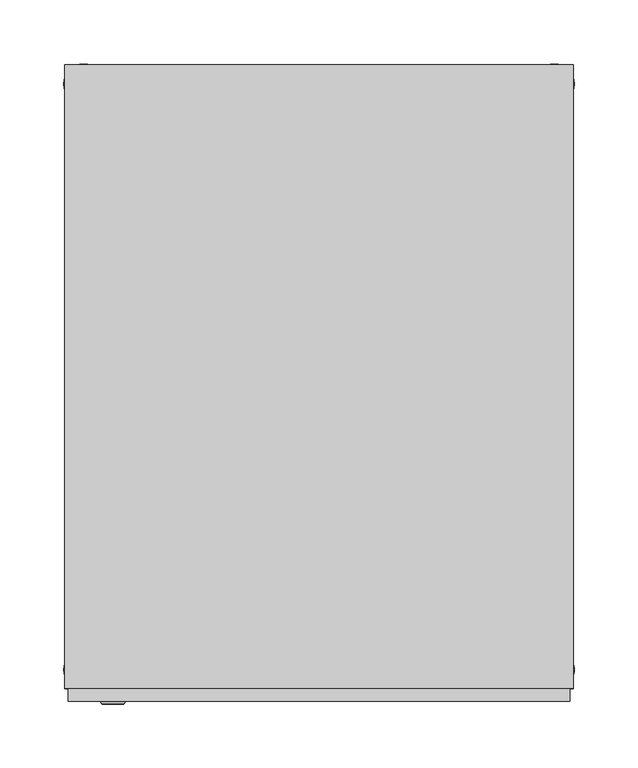
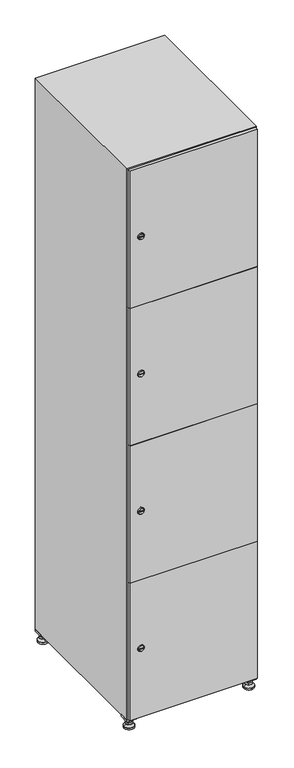
"""IFC4 building model written with IfcOpenShell, lengths in millimetres: furniture geometry."""

from ifc_helpers import new_model, si_unit, point, frame, frame_2d, origin, origin_with_axes, place, context, project, spatial, polyline, circle_curve, trimmed, segment, composite_curve, outline, extrude, faceted_brep, source, transform, mapped, element, save
from ifc_brep_helpers import plane_surface, revolved_surface, advanced_brep


def furniture_6601f98e(model_context):
    return source(origin(), model_context, "Body", "SolidModel", [
        extrude(outline(polyline([(200.0, 245.0), (200.0, 215.0), (170.0, 215.0), (170.0, 245.0), (200.0, 245.0)]), holes=[polyline([(198.0, 243.0), (172.0, 243.0), (172.0, 217.0), (198.0, 217.0), (198.0, 243.0)])]), frame((0.0, 0.0, 28.5), z_axis=(0.0, 0.0, 1.0), x_axis=(1.0, 0.0, 0.0)), (0.0, 0.0, 1.0), 6.5),
        extrude(outline(polyline([(170.0, -245.0), (170.0, -215.0), (200.0, -215.0), (200.0, -245.0), (170.0, -245.0)]), holes=[polyline([(172.0, -243.0), (198.0, -243.0), (198.0, -217.0), (172.0, -217.0), (172.0, -243.0)])]), frame((0.0, 0.0, 28.5), z_axis=(0.0, 0.0, 1.0), x_axis=(1.0, 0.0, 0.0)), (0.0, 0.0, 1.0), 6.5),
        extrude(outline(polyline([(-170.0, 245.0), (-170.0, 215.0), (-200.0, 215.0), (-200.0, 245.0), (-170.0, 245.0)]), holes=[polyline([(-172.0, 243.0), (-198.0, 243.0), (-198.0, 217.0), (-172.0, 217.0), (-172.0, 243.0)])]), frame((0.0, 0.0, 28.5), z_axis=(0.0, 0.0, 1.0), x_axis=(1.0, 0.0, 0.0)), (0.0, 0.0, 1.0), 6.5),
        extrude(outline(polyline([(-170.0, -215.0), (-170.0, -245.0), (-200.0, -245.0), (-200.0, -215.0), (-170.0, -215.0)]), holes=[polyline([(-198.0, -243.0), (-172.0, -243.0), (-172.0, -217.0), (-198.0, -217.0), (-198.0, -243.0)])]), frame((0.0, 0.0, 28.5), z_axis=(0.0, 0.0, 1.0), x_axis=(1.0, 0.0, 0.0)), (0.0, 0.0, 1.0), 6.5),
        extrude(outline(composite_curve([segment(trimmed(circle_curve(frame_2d((-185.0, 230.0)), 5.0), [point((-180.0, 230.0))], [point((-190.0, 230.0))], False, "CARTESIAN"), True, "CONTINUOUS"), segment(trimmed(circle_curve(frame_2d((-185.0, 230.0)), 5.0), [point((-190.0, 230.0))], [point((-180.0, 230.0))], False, "CARTESIAN"), True, "CONTINUOUS")], self_intersect=False)), frame((0.0, 0.0, 19.6), z_axis=(0.0, 0.0, 1.0), x_axis=(1.0, 0.0, 0.0)), (0.0, 0.0, 1.0), 15.4),
        extrude(outline(composite_curve([segment(trimmed(circle_curve(frame_2d((-185.0, -230.0)), 5.0), [point((-180.0, -230.0))], [point((-190.0, -230.0))], False, "CARTESIAN"), True, "CONTINUOUS"), segment(trimmed(circle_curve(frame_2d((-185.0, -230.0)), 5.0), [point((-190.0, -230.0))], [point((-180.0, -230.0))], False, "CARTESIAN"), True, "CONTINUOUS")], self_intersect=False)), frame((0.0, 0.0, 19.6), z_axis=(0.0, 0.0, 1.0), x_axis=(1.0, 0.0, 0.0)), (0.0, 0.0, 1.0), 15.4),
        extrude(outline(composite_curve([segment(trimmed(circle_curve(frame_2d((185.0, 230.0)), 5.0), [point((190.0, 230.0))], [point((180.0, 230.0))], False, "CARTESIAN"), True, "CONTINUOUS"), segment(trimmed(circle_curve(frame_2d((185.0, 230.0)), 5.0), [point((180.0, 230.0))], [point((190.0, 230.0))], False, "CARTESIAN"), True, "CONTINUOUS")], self_intersect=False)), frame((0.0, 0.0, 19.6), z_axis=(0.0, 0.0, 1.0), x_axis=(1.0, 0.0, 0.0)), (0.0, 0.0, 1.0), 15.4),
        extrude(outline(polyline([(173.4529946, 230.0), (179.2264973, 240.0), (190.7735027, 240.0), (196.5470054, 230.0), (190.7735027, 220.0), (179.2264973, 220.0), (173.4529946, 230.0)])), frame((0.0, 0.0, 13.6), z_axis=(0.0, 0.0, 1.0), x_axis=(1.0, 0.0, 0.0)), (0.0, 0.0, 1.0), 6.0),
        extrude(outline(composite_curve([segment(trimmed(circle_curve(frame_2d((185.0, -230.0)), 5.0), [point((190.0, -230.0))], [point((180.0, -230.0))], False, "CARTESIAN"), True, "CONTINUOUS"), segment(trimmed(circle_curve(frame_2d((185.0, -230.0)), 5.0), [point((180.0, -230.0))], [point((190.0, -230.0))], False, "CARTESIAN"), True, "CONTINUOUS")], self_intersect=False)), frame((0.0, 0.0, 19.6), z_axis=(0.0, 0.0, 1.0), x_axis=(1.0, 0.0, 0.0)), (0.0, 0.0, 1.0), 15.4),
        extrude(outline(polyline([(173.4529946, -230.0), (179.2264973, -220.0), (190.7735027, -220.0), (196.5470054, -230.0), (190.7735027, -240.0), (179.2264973, -240.0), (173.4529946, -230.0)])), frame((0.0, 0.0, 13.6), z_axis=(0.0, 0.0, 1.0), x_axis=(1.0, 0.0, 0.0)), (0.0, 0.0, 1.0), 6.0),
        extrude(outline(composite_curve([segment(trimmed(circle_curve(frame_2d((185.0, 230.0)), 5.0), [point((190.0, 230.0))], [point((180.0, 230.0))], False, "CARTESIAN"), True, "CONTINUOUS"), segment(trimmed(circle_curve(frame_2d((185.0, 230.0)), 5.0), [point((180.0, 230.0))], [point((190.0, 230.0))], False, "CARTESIAN"), True, "CONTINUOUS")], self_intersect=False)), frame((0.0, 0.0, 12.1), z_axis=(0.0, 0.0, 1.0), x_axis=(1.0, 0.0, 0.0)), (0.0, 0.0, 1.0), 1.5),
        extrude(outline(composite_curve([segment(trimmed(circle_curve(frame_2d((185.0, -230.0)), 5.0), [point((190.0, -230.0))], [point((180.0, -230.0))], False, "CARTESIAN"), True, "CONTINUOUS"), segment(trimmed(circle_curve(frame_2d((185.0, -230.0)), 5.0), [point((180.0, -230.0))], [point((190.0, -230.0))], False, "CARTESIAN"), True, "CONTINUOUS")], self_intersect=False)), frame((0.0, 0.0, 12.1), z_axis=(0.0, 0.0, 1.0), x_axis=(1.0, 0.0, 0.0)), (0.0, 0.0, 1.0), 1.5),
        extrude(outline(polyline([(-196.5470054, 230.0), (-190.7735027, 240.0), (-179.2264973, 240.0), (-173.4529946, 230.0), (-179.2264973, 220.0), (-190.7735027, 220.0), (-196.5470054, 230.0)])), frame((0.0, 0.0, 13.6), z_axis=(0.0, 0.0, 1.0), x_axis=(1.0, 0.0, 0.0)), (0.0, 0.0, 1.0), 6.0),
        extrude(outline(polyline([(-196.5470054, -230.0), (-190.7735027, -220.0), (-179.2264973, -220.0), (-173.4529946, -230.0), (-179.2264973, -240.0), (-190.7735027, -240.0), (-196.5470054, -230.0)])), frame((0.0, 0.0, 13.6), z_axis=(0.0, 0.0, 1.0), x_axis=(1.0, 0.0, 0.0)), (0.0, 0.0, 1.0), 6.0),
        extrude(outline(composite_curve([segment(trimmed(circle_curve(frame_2d((-185.0, 230.0)), 5.0), [point((-185.0, 235.0))], [point((-185.0, 225.0))], False, "CARTESIAN"), True, "CONTINUOUS"), segment(trimmed(circle_curve(frame_2d((-185.0, 230.0)), 5.0), [point((-185.0, 225.0))], [point((-185.0, 235.0))], False, "CARTESIAN"), True, "CONTINUOUS")], self_intersect=False)), frame((0.0, 0.0, 12.1), z_axis=(0.0, 0.0, 1.0), x_axis=(1.0, 0.0, 0.0)), (0.0, 0.0, 1.0), 1.5),
        extrude(outline(composite_curve([segment(trimmed(circle_curve(frame_2d((-185.0, -230.0)), 5.0), [point((-180.0, -230.0))], [point((-190.0, -230.0))], False, "CARTESIAN"), True, "CONTINUOUS"), segment(trimmed(circle_curve(frame_2d((-185.0, -230.0)), 5.0), [point((-190.0, -230.0))], [point((-180.0, -230.0))], False, "CARTESIAN"), True, "CONTINUOUS")], self_intersect=False)), frame((0.0, 0.0, 12.1), z_axis=(0.0, 0.0, 1.0), x_axis=(1.0, 0.0, 0.0)), (0.0, 0.0, 1.0), 1.5),
        extrude(outline(composite_curve([segment(trimmed(circle_curve(frame_2d((185.0, 230.0)), 15.75), [point((200.75, 230.0))], [point((169.25, 230.0))], False, "CARTESIAN"), True, "CONTINUOUS"), segment(trimmed(circle_curve(frame_2d((185.0, 230.0)), 15.75), [point((169.25, 230.0))], [point((200.75, 230.0))], False, "CARTESIAN"), True, "CONTINUOUS")], self_intersect=False)), origin_with_axes(), (0.0, 0.0, 1.0), 5.1),
        extrude(outline(composite_curve([segment(trimmed(circle_curve(frame_2d((185.0, -230.0)), 15.75), [point((185.0, -214.25))], [point((185.0, -245.75))], False, "CARTESIAN"), True, "CONTINUOUS"), segment(trimmed(circle_curve(frame_2d((185.0, -230.0)), 15.75), [point((185.0, -245.75))], [point((185.0, -214.25))], False, "CARTESIAN"), True, "CONTINUOUS")], self_intersect=False)), origin_with_axes(), (0.0, 0.0, 1.0), 5.1),
        extrude(outline(composite_curve([segment(trimmed(circle_curve(frame_2d((-185.0, -230.0)), 15.75), [point((-169.25, -230.0))], [point((-200.75, -230.0))], False, "CARTESIAN"), True, "CONTINUOUS"), segment(trimmed(circle_curve(frame_2d((-185.0, -230.0)), 15.75), [point((-200.75, -230.0))], [point((-169.25, -230.0))], False, "CARTESIAN"), True, "CONTINUOUS")], self_intersect=False)), origin_with_axes(), (0.0, 0.0, 1.0), 5.1),
        extrude(outline(composite_curve([segment(trimmed(circle_curve(frame_2d((-185.0, 230.0)), 15.75), [point((-169.25, 230.0))], [point((-200.75, 230.0))], False, "CARTESIAN"), True, "CONTINUOUS"), segment(trimmed(circle_curve(frame_2d((-185.0, 230.0)), 15.75), [point((-200.75, 230.0))], [point((-169.25, 230.0))], False, "CARTESIAN"), True, "CONTINUOUS")], self_intersect=False)), origin_with_axes(), (0.0, 0.0, 1.0), 5.1),
        advanced_brep(
        [(-185.0, 239.5, 12.1), (-185.0, 220.5, 12.1), (-185.0, 214.25, 5.1), (-185.0, 245.75, 5.1)],
        [
            (0, 1, circle_curve(frame((-185.0, 230.0, 12.1), z_axis=(0.0, 0.0, -1.0), x_axis=(0.0, 1.0, 0.0)), 9.5)),
            (1, 2),
            (2, 3, circle_curve(frame((-185.0, 230.0, 5.1), z_axis=(0.0, 0.0, 1.0), x_axis=(0.0, 1.0, 0.0)), 15.75)),
            (3, 0),
            (1, 0, circle_curve(frame((-185.0, 230.0, 12.1), z_axis=(0.0, 0.0, -1.0), x_axis=(0.0, -1.0, 0.0)), 9.5)),
            (3, 2, circle_curve(frame((-185.0, 230.0, 5.1), z_axis=(0.0, 0.0, 1.0), x_axis=(0.0, -1.0, 0.0)), 15.75)),
        ],
        [
            revolved_surface(polyline([(-185.0, 220.5, 12.099999999999998), (-185.0, 214.25, 5.099999999999998)]), (-185.0, 230.0, 22.74), (0.0, 0.0, -1.0)),
            revolved_surface(polyline([(-185.0, 239.5, 12.099999999999998), (-185.0, 245.75, 5.099999999999998)]), (-185.0, 230.0, 22.74), (0.0, 0.0, -1.0)),
            plane_surface(frame((-185.0, 230.0, 5.1), z_axis=(0.0, 0.0, -1.0), x_axis=(1.0, 0.0, 0.0))),
            plane_surface(frame((-185.0, 230.0, 12.1), z_axis=(0.0, 0.0, 1.0), x_axis=(1.0, 0.0, 0.0))),
        ],
        [
            (0, [[1, 2, 3, 4]]),
            (1, [[5, -4, 6, -2]]),
            (2, [[-3, -6]]),
            (3, [[-5, -1]]),
        ],
    ),
        advanced_brep(
        [(185.0, 239.5, 12.1), (185.0, 220.5, 12.1), (185.0, 214.25, 5.1), (185.0, 245.75, 5.1)],
        [
            (0, 1, circle_curve(frame((185.0, 230.0, 12.1), z_axis=(0.0, 0.0, -1.0), x_axis=(0.0, 1.0, 0.0)), 9.5)),
            (1, 2),
            (2, 3, circle_curve(frame((185.0, 230.0, 5.1), z_axis=(0.0, 0.0, 1.0), x_axis=(0.0, 1.0, 0.0)), 15.75)),
            (3, 0),
            (1, 0, circle_curve(frame((185.0, 230.0, 12.1), z_axis=(0.0, 0.0, -1.0), x_axis=(0.0, -1.0, 0.0)), 9.5)),
            (3, 2, circle_curve(frame((185.0, 230.0, 5.1), z_axis=(0.0, 0.0, 1.0), x_axis=(0.0, -1.0, 0.0)), 15.75)),
        ],
        [
            revolved_surface(polyline([(185.0, 220.5, 12.099999999999998), (185.0, 214.25, 5.099999999999998)]), (185.0, 230.0, 22.74), (0.0, 0.0, -1.0)),
            revolved_surface(polyline([(185.0, 239.5, 12.099999999999998), (185.0, 245.75, 5.099999999999998)]), (185.0, 230.0, 22.74), (0.0, 0.0, -1.0)),
            plane_surface(frame((185.0, 230.0, 5.1), z_axis=(0.0, 0.0, -1.0), x_axis=(1.0, 0.0, 0.0))),
            plane_surface(frame((185.0, 230.0, 12.1), z_axis=(0.0, 0.0, 1.0), x_axis=(1.0, 0.0, 0.0))),
        ],
        [
            (0, [[1, 2, 3, 4]]),
            (1, [[5, -4, 6, -2]]),
            (2, [[-3, -6]]),
            (3, [[-5, -1]]),
        ],
    ),
        advanced_brep(
        [(200.75, -230.0, 5.1), (169.25, -230.0, 5.1), (175.5, -230.0, 12.1), (194.5, -230.0, 12.1)],
        [
            (0, 1, circle_curve(frame((185.0, -230.0, 5.1), z_axis=(0.0, 0.0, 1.0), x_axis=(1.0, 0.0, 0.0)), 15.75)),
            (1, 2),
            (2, 3, circle_curve(frame((185.0, -230.0, 12.1), z_axis=(0.0, 0.0, -1.0), x_axis=(1.0, 0.0, 0.0)), 9.5)),
            (3, 0),
            (1, 0, circle_curve(frame((185.0, -230.0, 5.1), z_axis=(0.0, 0.0, 1.0), x_axis=(-1.0, 0.0, 0.0)), 15.75)),
            (3, 2, circle_curve(frame((185.0, -230.0, 12.1), z_axis=(0.0, 0.0, -1.0), x_axis=(-1.0, 0.0, 0.0)), 9.5)),
        ],
        [
            revolved_surface(polyline([(194.5, -230.0, 12.099999999999998), (200.75, -230.0, 5.099999999999998)]), (185.0, -230.0, 22.74), (0.0, 0.0, -1.0)),
            revolved_surface(polyline([(175.5, -230.0, 12.099999999999998), (169.25, -230.0, 5.099999999999998)]), (185.0, -230.0, 22.74), (0.0, 0.0, -1.0)),
            plane_surface(frame((185.0, -230.0, 12.1), z_axis=(0.0, 0.0, 1.0), x_axis=(0.0, 1.0, 0.0))),
            plane_surface(frame((185.0, -230.0, 5.1), z_axis=(0.0, 0.0, -1.0), x_axis=(0.0, 1.0, 0.0))),
        ],
        [
            (0, [[1, 2, 3, 4]]),
            (1, [[5, -4, 6, -2]]),
            (2, [[-3, -6]]),
            (3, [[-5, -1]]),
        ],
    ),
        advanced_brep(
        [(-169.25, -230.0, 5.1), (-200.75, -230.0, 5.1), (-194.5, -230.0, 12.1), (-175.5, -230.0, 12.1)],
        [
            (0, 1, circle_curve(frame((-185.0, -230.0, 5.1), z_axis=(0.0, 0.0, 1.0), x_axis=(1.0, 0.0, 0.0)), 15.75)),
            (1, 2),
            (2, 3, circle_curve(frame((-185.0, -230.0, 12.1), z_axis=(0.0, 0.0, -1.0), x_axis=(1.0, 0.0, 0.0)), 9.5)),
            (3, 0),
            (1, 0, circle_curve(frame((-185.0, -230.0, 5.1), z_axis=(0.0, 0.0, 1.0), x_axis=(-1.0, 0.0, 0.0)), 15.75)),
            (3, 2, circle_curve(frame((-185.0, -230.0, 12.1), z_axis=(0.0, 0.0, -1.0), x_axis=(-1.0, 0.0, 0.0)), 9.5)),
        ],
        [
            revolved_surface(polyline([(-175.5, -230.0, 12.099999999999998), (-169.25, -230.0, 5.099999999999998)]), (-185.0, -230.0, 22.74), (0.0, 0.0, -1.0)),
            revolved_surface(polyline([(-194.5, -230.0, 12.099999999999998), (-200.75, -230.0, 5.099999999999998)]), (-185.0, -230.0, 22.74), (0.0, 0.0, -1.0)),
            plane_surface(frame((-185.0, -230.0, 12.1), z_axis=(0.0, 0.0, 1.0), x_axis=(0.0, 1.0, 0.0))),
            plane_surface(frame((-185.0, -230.0, 5.1), z_axis=(0.0, 0.0, -1.0), x_axis=(0.0, 1.0, 0.0))),
        ],
        [
            (0, [[1, 2, 3, 4]]),
            (1, [[5, -4, 6, -2]]),
            (2, [[-3, -6]]),
            (3, [[-5, -1]]),
        ],
    ),
        extrude(outline(composite_curve([segment(trimmed(circle_curve(frame_2d((262.25, -188.7989466)), 7.0), [point((269.25, -188.7989466))], [point((255.25, -188.7989466))], False, "CARTESIAN"), True, "CONTINUOUS"), segment(polyline([(255.25, -188.7989466), (255.25, -160.7989466)]), True, "CONTINUOUS"), segment(trimmed(circle_curve(frame_2d((262.25, -160.7989466)), 7.0), [point((255.25, -160.7989466))], [point((269.25, -160.7989466))], False, "CARTESIAN"), True, "CONTINUOUS"), segment(polyline([(269.25, -160.7989466), (269.25, -188.7989466)]), True, "CONTINUOUS")], self_intersect=False)), frame((0.0, -245.0, 0.0), z_axis=(0.0, 1.0, 0.0), x_axis=(0.0, 0.0, 1.0)), (0.0, 0.0, 1.0), 2.0),
        advanced_brep(
        [(-153.5, -257.2, 262.25), (-170.5, -257.2, 262.25), (-167.0, -257.2, 261.0), (-167.0, -257.2, 263.5), (-157.0, -257.2, 263.5), (-157.0, -257.2, 261.0), (-151.5, -255.0, 262.25), (-172.5, -255.0, 262.25), (-167.0, -255.0, 263.5), (-167.0, -255.0, 261.0), (-157.0, -255.0, 261.0), (-157.0, -255.0, 263.5)],
        [
            (0, 1, circle_curve(frame((-162.0, -257.2, 262.25), z_axis=(0.0, -1.0, 0.0), x_axis=(1.0, 0.0, 0.0)), 8.5)),
            (1, 0, circle_curve(frame((-162.0, -257.2, 262.25), z_axis=(0.0, -1.0, 0.0), x_axis=(-1.0, 0.0, 0.0)), 8.5)),
            (2, 3),
            (3, 4),
            (4, 5),
            (5, 2),
            (6, 7, circle_curve(frame((-162.0, -255.0, 262.25), z_axis=(0.0, 1.0, 0.0), x_axis=(-1.0, 0.0, 0.0)), 10.5)),
            (7, 6, circle_curve(frame((-162.0, -255.0, 262.25), z_axis=(0.0, 1.0, 0.0), x_axis=(1.0, 0.0, 0.0)), 10.5)),
            (8, 9),
            (9, 10),
            (10, 11),
            (11, 8),
            (0, 6),
            (7, 1),
            (8, 3),
            (2, 9),
            (11, 4),
            (10, 5),
        ],
        [
            plane_surface(frame((-162.0, -257.2, 262.25), z_axis=(0.0, -1.0, 0.0), x_axis=(0.0, 0.0, 1.0))),
            plane_surface(frame((-162.0, -255.0, 262.25), z_axis=(0.0, 1.0, 0.0), x_axis=(0.0, 0.0, 1.0))),
            revolved_surface(polyline([(-153.5, -257.2, 262.25), (-151.5, -255.0, 262.25)]), (-162.0, -266.55, 262.25), (0.0, 1.0, 0.0)),
            revolved_surface(polyline([(-170.5, -257.2, 262.25), (-172.5, -255.0, 262.25)]), (-162.0, -266.55, 262.25), (0.0, 1.0, 0.0)),
            plane_surface(frame((-167.0, -255.0, 261.0), z_axis=(1.0, 0.0, 0.0), x_axis=(0.0, -1.0, 0.0))),
            plane_surface(frame((-167.0, -255.0, 263.5), z_axis=(0.0, 0.0, -1.0), x_axis=(0.0, -1.0, 0.0))),
            plane_surface(frame((-157.0, -255.0, 263.5), z_axis=(-1.0, 0.0, 0.0), x_axis=(0.0, -1.0, 0.0))),
            plane_surface(frame((-157.0, -255.0, 261.0), z_axis=(0.0, 0.0, 1.0), x_axis=(0.0, -1.0, 0.0))),
        ],
        [
            (0, [[1, 2], [3, 4, 5, 6]]),
            (1, [[7, 8], [9, 10, 11, 12]]),
            (2, [[-1, 13, -8, 14]]),
            (3, [[-2, -14, -7, -13]]),
            (4, [[15, -3, 16, -9]]),
            (5, [[-15, -12, 17, -4]]),
            (6, [[-17, -11, 18, -5]]),
            (7, [[-16, -6, -18, -10]]),
        ],
    ),
        extrude(outline(composite_curve([segment(trimmed(circle_curve(frame_2d((710.75, -188.7989466)), 7.0), [point((717.75, -188.7989466))], [point((703.75, -188.7989466))], False, "CARTESIAN"), True, "CONTINUOUS"), segment(polyline([(703.75, -188.7989466), (703.75, -160.7989466)]), True, "CONTINUOUS"), segment(trimmed(circle_curve(frame_2d((710.75, -160.7989466)), 7.0), [point((703.75, -160.7989466))], [point((717.75, -160.7989466))], False, "CARTESIAN"), True, "CONTINUOUS"), segment(polyline([(717.75, -160.7989466), (717.75, -188.7989466)]), True, "CONTINUOUS")], self_intersect=False)), frame((0.0, -245.0, 0.0), z_axis=(0.0, 1.0, 0.0), x_axis=(0.0, 0.0, 1.0)), (0.0, 0.0, 1.0), 2.0),
        advanced_brep(
        [(-153.5, -257.2, 710.75), (-170.5, -257.2, 710.75), (-167.0, -257.2, 709.5), (-167.0, -257.2, 712.0), (-157.0, -257.2, 712.0), (-157.0, -257.2, 709.5), (-151.5, -255.0, 710.75), (-172.5, -255.0, 710.75), (-167.0, -255.0, 712.0), (-167.0, -255.0, 709.5), (-157.0, -255.0, 709.5), (-157.0, -255.0, 712.0)],
        [
            (0, 1, circle_curve(frame((-162.0, -257.2, 710.75), z_axis=(0.0, -1.0, 0.0), x_axis=(1.0, 0.0, 0.0)), 8.5)),
            (1, 0, circle_curve(frame((-162.0, -257.2, 710.75), z_axis=(0.0, -1.0, 0.0), x_axis=(-1.0, 0.0, 0.0)), 8.5)),
            (2, 3),
            (3, 4),
            (4, 5),
            (5, 2),
            (6, 7, circle_curve(frame((-162.0, -255.0, 710.75), z_axis=(0.0, 1.0, 0.0), x_axis=(-1.0, 0.0, 0.0)), 10.5)),
            (7, 6, circle_curve(frame((-162.0, -255.0, 710.75), z_axis=(0.0, 1.0, 0.0), x_axis=(1.0, 0.0, 0.0)), 10.5)),
            (8, 9),
            (9, 10),
            (10, 11),
            (11, 8),
            (0, 6),
            (7, 1),
            (8, 3),
            (2, 9),
            (11, 4),
            (10, 5),
        ],
        [
            plane_surface(frame((-162.0, -257.2, 710.75), z_axis=(0.0, -1.0, 0.0), x_axis=(0.0, 0.0, 1.0))),
            plane_surface(frame((-162.0, -255.0, 710.75), z_axis=(0.0, 1.0, 0.0), x_axis=(0.0, 0.0, 1.0))),
            revolved_surface(polyline([(-153.5, -257.2, 710.75), (-151.5, -255.0, 710.75)]), (-162.0, -266.55, 710.75), (0.0, 1.0, 0.0)),
            revolved_surface(polyline([(-170.5, -257.2, 710.75), (-172.5, -255.0, 710.75)]), (-162.0, -266.55, 710.75), (0.0, 1.0, 0.0)),
            plane_surface(frame((-167.0, -255.0, 709.5), z_axis=(1.0, 0.0, 0.0), x_axis=(0.0, -1.0, 0.0))),
            plane_surface(frame((-167.0, -255.0, 712.0), z_axis=(0.0, 0.0, -1.0), x_axis=(0.0, -1.0, 0.0))),
            plane_surface(frame((-157.0, -255.0, 712.0), z_axis=(-1.0, 0.0, 0.0), x_axis=(0.0, -1.0, 0.0))),
            plane_surface(frame((-157.0, -255.0, 709.5), z_axis=(0.0, 0.0, 1.0), x_axis=(0.0, -1.0, 0.0))),
        ],
        [
            (0, [[1, 2], [3, 4, 5, 6]]),
            (1, [[7, 8], [9, 10, 11, 12]]),
            (2, [[-1, 13, -8, 14]]),
            (3, [[-2, -14, -7, -13]]),
            (4, [[15, -3, 16, -9]]),
            (5, [[-15, -12, 17, -4]]),
            (6, [[-17, -11, 18, -5]]),
            (7, [[-16, -6, -18, -10]]),
        ],
    ),
        extrude(outline(composite_curve([segment(trimmed(circle_curve(frame_2d((1159.25, -188.7989466)), 7.0), [point((1166.25, -188.7989466))], [point((1152.25, -188.7989466))], False, "CARTESIAN"), True, "CONTINUOUS"), segment(polyline([(1152.25, -188.7989466), (1152.25, -160.7989466)]), True, "CONTINUOUS"), segment(trimmed(circle_curve(frame_2d((1159.25, -160.7989466)), 7.0), [point((1152.25, -160.7989466))], [point((1166.25, -160.7989466))], False, "CARTESIAN"), True, "CONTINUOUS"), segment(polyline([(1166.25, -160.7989466), (1166.25, -188.7989466)]), True, "CONTINUOUS")], self_intersect=False)), frame((0.0, -245.0, 0.0), z_axis=(0.0, 1.0, 0.0), x_axis=(0.0, 0.0, 1.0)), (0.0, 0.0, 1.0), 2.0),
        advanced_brep(
        [(-153.5, -257.2, 1159.25), (-170.5, -257.2, 1159.25), (-167.0, -257.2, 1158.0), (-167.0, -257.2, 1160.5), (-157.0, -257.2, 1160.5), (-157.0, -257.2, 1158.0), (-151.5, -255.0, 1159.25), (-172.5, -255.0, 1159.25), (-167.0, -255.0, 1160.5), (-167.0, -255.0, 1158.0), (-157.0, -255.0, 1158.0), (-157.0, -255.0, 1160.5)],
        [
            (0, 1, circle_curve(frame((-162.0, -257.2, 1159.25), z_axis=(0.0, -1.0, 0.0), x_axis=(1.0, 0.0, 0.0)), 8.5)),
            (1, 0, circle_curve(frame((-162.0, -257.2, 1159.25), z_axis=(0.0, -1.0, 0.0), x_axis=(-1.0, 0.0, 0.0)), 8.5)),
            (2, 3),
            (3, 4),
            (4, 5),
            (5, 2),
            (6, 7, circle_curve(frame((-162.0, -255.0, 1159.25), z_axis=(0.0, 1.0, 0.0), x_axis=(-1.0, 0.0, 0.0)), 10.5)),
            (7, 6, circle_curve(frame((-162.0, -255.0, 1159.25), z_axis=(0.0, 1.0, 0.0), x_axis=(1.0, 0.0, 0.0)), 10.5)),
            (8, 9),
            (9, 10),
            (10, 11),
            (11, 8),
            (0, 6),
            (7, 1),
            (8, 3),
            (2, 9),
            (11, 4),
            (10, 5),
        ],
        [
            plane_surface(frame((-162.0, -257.2, 1159.25), z_axis=(0.0, -1.0, 0.0), x_axis=(0.0, 0.0, 1.0))),
            plane_surface(frame((-162.0, -255.0, 1159.25), z_axis=(0.0, 1.0, 0.0), x_axis=(0.0, 0.0, 1.0))),
            revolved_surface(polyline([(-153.5, -257.2, 1159.25), (-151.5, -255.0, 1159.25)]), (-162.0, -266.55, 1159.25), (0.0, 1.0, 0.0)),
            revolved_surface(polyline([(-170.5, -257.2, 1159.25), (-172.5, -255.0, 1159.25)]), (-162.0, -266.55, 1159.25), (0.0, 1.0, 0.0)),
            plane_surface(frame((-167.0, -255.0, 1158.0), z_axis=(1.0, 0.0, 0.0), x_axis=(0.0, -1.0, 0.0))),
            plane_surface(frame((-167.0, -255.0, 1160.5), z_axis=(0.0, 0.0, -1.0), x_axis=(0.0, -1.0, 0.0))),
            plane_surface(frame((-157.0, -255.0, 1160.5), z_axis=(-1.0, 0.0, 0.0), x_axis=(0.0, -1.0, 0.0))),
            plane_surface(frame((-157.0, -255.0, 1158.0), z_axis=(0.0, 0.0, 1.0), x_axis=(0.0, -1.0, 0.0))),
        ],
        [
            (0, [[1, 2], [3, 4, 5, 6]]),
            (1, [[7, 8], [9, 10, 11, 12]]),
            (2, [[-1, 13, -8, 14]]),
            (3, [[-2, -14, -7, -13]]),
            (4, [[15, -3, 16, -9]]),
            (5, [[-15, -12, 17, -4]]),
            (6, [[-17, -11, 18, -5]]),
            (7, [[-16, -6, -18, -10]]),
        ],
    ),
        extrude(outline(composite_curve([segment(trimmed(circle_curve(frame_2d((1607.75, -188.7989466)), 7.0), [point((1614.75, -188.7989466))], [point((1600.75, -188.7989466))], False, "CARTESIAN"), True, "CONTINUOUS"), segment(polyline([(1600.75, -188.7989466), (1600.75, -160.7989466)]), True, "CONTINUOUS"), segment(trimmed(circle_curve(frame_2d((1607.75, -160.7989466)), 7.0), [point((1600.75, -160.7989466))], [point((1614.75, -160.7989466))], False, "CARTESIAN"), True, "CONTINUOUS"), segment(polyline([(1614.75, -160.7989466), (1614.75, -188.7989466)]), True, "CONTINUOUS")], self_intersect=False)), frame((0.0, -245.0, 0.0), z_axis=(0.0, 1.0, 0.0), x_axis=(0.0, 0.0, 1.0)), (0.0, 0.0, 1.0), 2.0),
        advanced_brep(
        [(-153.5, -257.2, 1607.75), (-170.5, -257.2, 1607.75), (-167.0, -257.2, 1606.5), (-167.0, -257.2, 1609.0), (-157.0, -257.2, 1609.0), (-157.0, -257.2, 1606.5), (-151.5, -255.0, 1607.75), (-172.5, -255.0, 1607.75), (-167.0, -255.0, 1609.0), (-167.0, -255.0, 1606.5), (-157.0, -255.0, 1606.5), (-157.0, -255.0, 1609.0)],
        [
            (0, 1, circle_curve(frame((-162.0, -257.2, 1607.75), z_axis=(0.0, -1.0, 0.0), x_axis=(1.0, 0.0, 0.0)), 8.5)),
            (1, 0, circle_curve(frame((-162.0, -257.2, 1607.75), z_axis=(0.0, -1.0, 0.0), x_axis=(-1.0, 0.0, 0.0)), 8.5)),
            (2, 3),
            (3, 4),
            (4, 5),
            (5, 2),
            (6, 7, circle_curve(frame((-162.0, -255.0, 1607.75), z_axis=(0.0, 1.0, 0.0), x_axis=(-1.0, 0.0, 0.0)), 10.5)),
            (7, 6, circle_curve(frame((-162.0, -255.0, 1607.75), z_axis=(0.0, 1.0, 0.0), x_axis=(1.0, 0.0, 0.0)), 10.5)),
            (8, 9),
            (9, 10),
            (10, 11),
            (11, 8),
            (0, 6),
            (7, 1),
            (8, 3),
            (2, 9),
            (11, 4),
            (10, 5),
        ],
        [
            plane_surface(frame((-162.0, -257.2, 1607.75), z_axis=(0.0, -1.0, 0.0), x_axis=(0.0, 0.0, 1.0))),
            plane_surface(frame((-162.0, -255.0, 1607.75), z_axis=(0.0, 1.0, 0.0), x_axis=(0.0, 0.0, 1.0))),
            revolved_surface(polyline([(-153.5, -257.2, 1607.75), (-151.5, -255.0, 1607.75)]), (-162.0, -266.55, 1607.75), (0.0, 1.0, 0.0)),
            revolved_surface(polyline([(-170.5, -257.2, 1607.75), (-172.5, -255.0, 1607.75)]), (-162.0, -266.55, 1607.75), (0.0, 1.0, 0.0)),
            plane_surface(frame((-167.0, -255.0, 1606.5), z_axis=(1.0, 0.0, 0.0), x_axis=(0.0, -1.0, 0.0))),
            plane_surface(frame((-167.0, -255.0, 1609.0), z_axis=(0.0, 0.0, -1.0), x_axis=(0.0, -1.0, 0.0))),
            plane_surface(frame((-157.0, -255.0, 1609.0), z_axis=(-1.0, 0.0, 0.0), x_axis=(0.0, -1.0, 0.0))),
            plane_surface(frame((-157.0, -255.0, 1606.5), z_axis=(0.0, 0.0, 1.0), x_axis=(0.0, -1.0, 0.0))),
        ],
        [
            (0, [[1, 2], [3, 4, 5, 6]]),
            (1, [[7, 8], [9, 10, 11, 12]]),
            (2, [[-1, 13, -8, 14]]),
            (3, [[-2, -14, -7, -13]]),
            (4, [[15, -3, 16, -9]]),
            (5, [[-15, -12, 17, -4]]),
            (6, [[-17, -11, 18, -5]]),
            (7, [[-16, -6, -18, -10]]),
        ],
    ),
        extrude(outline(polyline([(197.0, -245.0), (197.0, -255.0), (-197.0, -255.0), (-197.0, -245.0), (197.0, -245.0)])), frame((0.0, 0.0, 486.0), z_axis=(0.0, 0.0, 1.0), x_axis=(1.0, 0.0, 0.0)), (0.0, 0.0, 1.0), 448.5),
        extrude(outline(polyline([(197.0, -245.0), (197.0, -255.0), (-197.0, -255.0), (-197.0, -245.0), (197.0, -245.0)])), frame((0.0, 0.0, 935.5), z_axis=(0.0, 0.0, 1.0), x_axis=(1.0, 0.0, 0.0)), (0.0, 0.0, 1.0), 447.5),
        extrude(outline(polyline([(-197.0, -255.0), (-197.0, -245.0), (197.0, -245.0), (197.0, -255.0), (-197.0, -255.0)])), frame((0.0, 0.0, 1384.0), z_axis=(0.0, 0.0, 1.0), x_axis=(1.0, 0.0, 0.0)), (0.0, 0.0, 1.0), 448.0),
        extrude(outline(polyline([(197.0, -245.0), (197.0, -255.0), (-197.0, -255.0), (-197.0, -245.0), (197.0, -245.0)])), frame((0.0, 0.0, 38.0), z_axis=(0.0, 0.0, 1.0), x_axis=(1.0, 0.0, 0.0)), (0.0, 0.0, 1.0), 449.0),
        extrude(outline(polyline([(179.6, 242.0), (179.6, -235.0), (-179.6, -235.0), (-179.6, 242.0), (179.6, 242.0)])), frame((0.0, 0.0, 1359.7), z_axis=(0.0, 0.0, 1.0), x_axis=(1.0, 0.0, 0.0)), (0.0, 0.0, 1.0), 20.4),
        extrude(outline(polyline([(179.6, 242.0), (179.6, -235.0), (-179.6, -235.0), (-179.6, 242.0), (179.6, 242.0)])), frame((0.0, 0.0, 924.8), z_axis=(0.0, 0.0, 1.0), x_axis=(1.0, 0.0, 0.0)), (0.0, 0.0, 1.0), 20.4),
        extrude(outline(polyline([(179.6, 242.0), (179.6, -235.0), (-179.6, -235.0), (-179.6, 242.0), (179.6, 242.0)])), frame((0.0, 0.0, 489.9), z_axis=(0.0, 0.0, 1.0), x_axis=(1.0, 0.0, 0.0)), (0.0, 0.0, 1.0), 20.4),
        faceted_brep([(200.0, -245.0, 35.0), (200.0, -245.0, 1835.0), (-200.0, -245.0, 1835.0), (-200.0, -245.0, 35.0), (179.6, -245.0, 1804.8), (179.6, -245.0, 65.2), (-179.6, -245.0, 65.2), (-179.6, -245.0, 1804.8), (200.0, 245.0, 35.0), (-200.0, 245.0, 35.0), (200.0, 245.0, 1835.0), (-200.0, 245.0, 1835.0), (179.6, 242.0, 1804.8), (179.6, 242.0, 65.2), (-200.0, 245.0, 1804.8), (-179.6, 242.0, 1804.8), (-179.6, 242.0, 65.2)], [[[0, 1, 2, 3], [4, 5, 6, 7]], [[8, 0, 3, 9]], [[1, 0, 8, 10]], [[1, 10, 11, 2]], [[4, 12, 13, 5]], [[9, 3, 2, 11, 14]], [[10, 8, 9, 14, 11]], [[12, 15, 16, 13]], [[15, 7, 6, 16]], [[4, 7, 15, 12]], [[6, 5, 13, 16]]]),
    ])


if __name__ == "__main__":
    model = new_model("IFC4")
    model_context = context("Model", 3, world=origin())
    ifc_project = project(units=[si_unit("LENGTHUNIT", "METRE", prefix="MILLI")], contexts=[model_context])
    site = spatial("IfcSite", under=ifc_project)
    building = spatial("IfcBuilding", under=site)
    placement = place(None, origin())
    furniture_shape = furniture_6601f98e(model_context)
    element("IfcFurniture", 1, at=placement, inside=building, context=model_context, shape_type="MappedRepresentation", body=[
        mapped(furniture_shape, transform((0.0, 0.0, 0.0), x_axis=(1.0, 0.0, 0.0), y_axis=(0.0, 1.0, 0.0), z_axis=(0.0, 0.0, 1.0))),
    ])
    save(model, "model.ifc")
